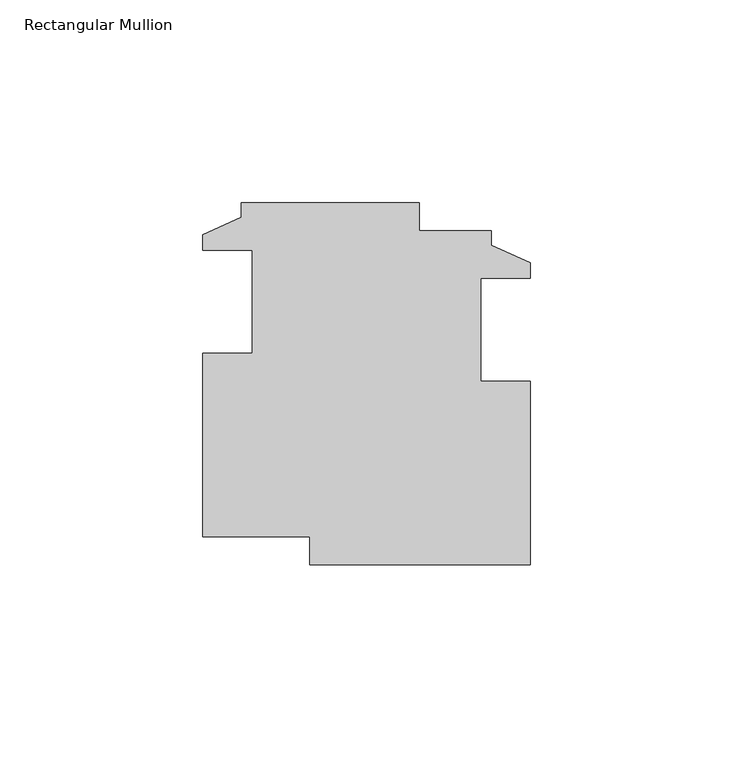
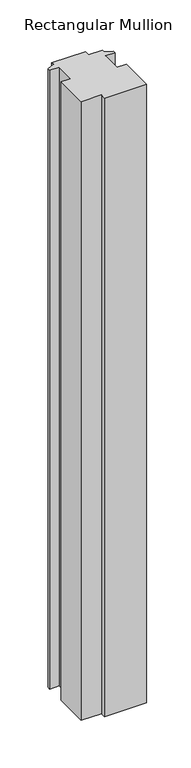
"""IFC4 building model written with IfcOpenShell, lengths in millimetres: member geometry, Rectangular Mullion."""

from ifc_helpers import new_model, si_unit, frame, origin, place, context, project, spatial, polyline, outline, extrude, source, transform, mapped, element, save


def rectangular_mullion_32371ffa(model_context):
    return source(origin(), model_context, "Body", "SweptSolid", [
        extrude(outline(polyline([(44.7566338, 35.8792241), (54.2816338, 31.5612241), (54.2816338, 27.6496241), (42.0642338, 27.6496241), (42.0642338, 2.2496241), (54.2816338, 2.2496241), (54.2816338, -43.0639759), (-0.0743662, -43.0639759), (-0.0743662, -36.1551759), (-26.5691126, -36.1551759), (-26.5691126, 9.1584241), (-14.3517126, 9.1584241), (-14.3517126, 34.5584241), (-26.5691126, 34.5584241), (-26.5691126, 38.4700241), (-17.0441126, 42.7880241), (-17.0441126, 46.3948241), (26.9232874, 46.3948241), (26.9232874, 39.4860241), (44.7566338, 39.4860241), (44.7566338, 35.8792241)])), frame((0.0, 0.0, -847.6488), z_axis=(0.0, 0.0, 1.0), x_axis=(1.0, 0.0, 0.0)), (0.0, 0.0, 1.0), 847.6488),
    ])


if __name__ == "__main__":
    model = new_model("IFC4")
    model_context = context("Model", 3, world=origin())
    ifc_project = project(units=[si_unit("LENGTHUNIT", "METRE", prefix="MILLI")], contexts=[model_context])
    site = spatial("IfcSite", under=ifc_project)
    building = spatial("IfcBuilding", under=site)
    placement = place(None, origin())
    rectangular_mullion_shape = rectangular_mullion_32371ffa(model_context)
    element("IfcMember", 1, ObjectType="Rectangular Mullion", at=placement, inside=building, context=model_context, shape_type="MappedRepresentation", body=[
        mapped(rectangular_mullion_shape, transform((0.0, 0.0, 0.0), x_axis=(1.0, 0.0, 0.0), y_axis=(0.0, 1.0, 0.0), z_axis=(0.0, 0.0, 1.0))),
    ])
    save(model, "model.ifc")
